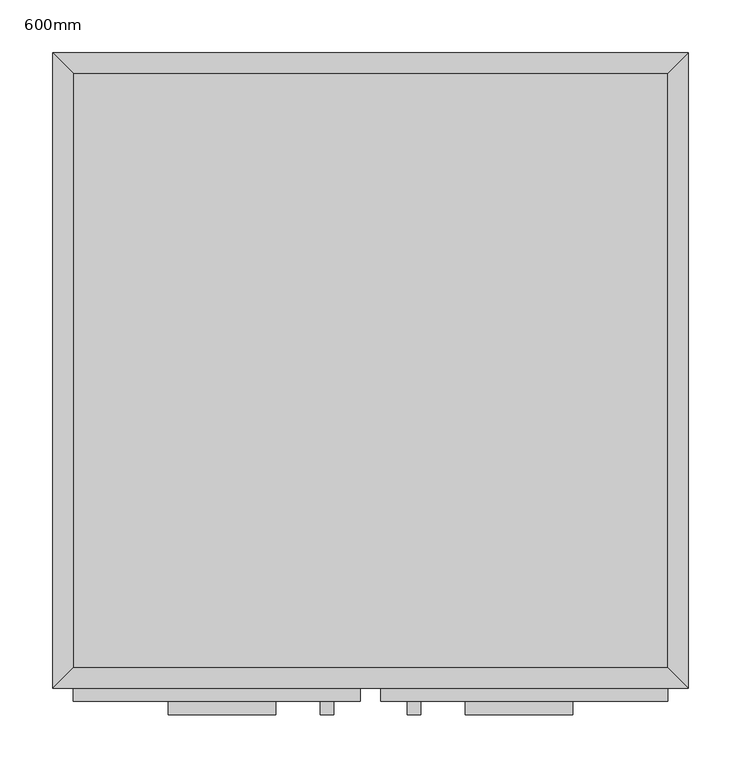
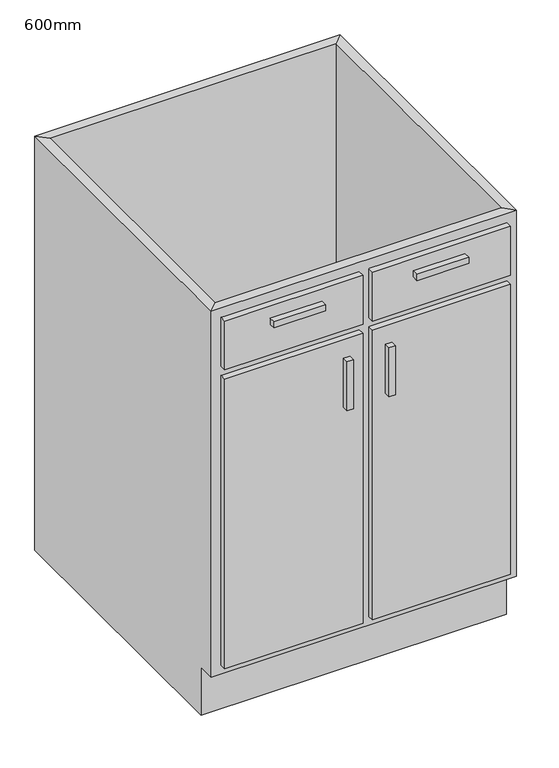
"""IFC4 building model written with IfcOpenShell, lengths in millimetres: furniture geometry, 600mm."""

import ifcopenshell
import ifcopenshell.guid

model = None  # the IFC model being written
_history = None  # IfcOwnerHistory: only IFC2X3 demands one
_inside = {}  # id of a spatial element -> (the spatial element, [elements in it])
_under = {}  # id of a project, library or spatial element -> (it, [spatial elements below it])
_declared = {}  # id of a project -> (the project, [libraries it declares])
_typed = {}  # id of a type object -> (the type object, [elements of that type])
_made_of = {}  # id of a material, layer set ... -> (it, [elements and type objects made of it])


def new_model(schema):
    """Start an empty IFC model of exactly this schema.

    Asked for "IFC4X3", IfcOpenShell would pick the latest addendum, in which some entities
    have other attributes; the version numbers below select the first issue.
    IFC2X3 requires an IfcOwnerHistory on every rooted entity: one is made here for all.
    """
    global model, _history
    if schema == "IFC4X3":
        model = ifcopenshell.file(schema_version=(4, 3, 0, 0))
    else:
        model = ifcopenshell.file(schema=schema)
    _inside.clear()
    _under.clear()
    _declared.clear()
    _typed.clear()
    _made_of.clear()
    _history = None
    if model.schema == "IFC2X3":
        org = make("IfcOrganization", Name="unknown")
        user = make(
            "IfcPersonAndOrganization",
            ThePerson=make("IfcPerson", FamilyName="unknown"),
            TheOrganization=org,
        )
        app = make(
            "IfcApplication",
            ApplicationDeveloper=org,
            Version="unknown",
            ApplicationFullName="unknown",
            ApplicationIdentifier="unknown",
        )
        _history = make(
            "IfcOwnerHistory",
            OwningUser=user,
            OwningApplication=app,
            ChangeAction="ADDED",
            CreationDate=0,
        )
    return model


def make(cls, **values):
    """One entity of the class cls with the attributes given. An attribute that is None is left unset."""
    return model.create_entity(
        cls, **{name: value for name, value in values.items() if value is not None}
    )


def rooted(cls, **values):
    """An entity with a GlobalId (a new one), such as an element, a storey or a relation."""
    return make(cls, GlobalId=ifcopenshell.guid.new(), OwnerHistory=_history, **values)


def si_unit(unit_type, name, prefix=None):
    """IfcSIUnit, for example si_unit("LENGTHUNIT", "METRE", prefix="MILLI")."""
    return make("IfcSIUnit", UnitType=unit_type, Prefix=prefix, Name=name)


def assignment(units):
    """IfcUnitAssignment: the units of a project."""
    return None if units is None else make("IfcUnitAssignment", Units=units)


def point(xyz):
    """IfcCartesianPoint."""
    return None if xyz is None else make("IfcCartesianPoint", Coordinates=xyz)


def direction(xyz):
    """IfcDirection."""
    return None if xyz is None else make("IfcDirection", DirectionRatios=xyz)


def frame(location, z_axis=None, x_axis=None):
    """IfcAxis2Placement3D, a coordinate frame: its origin and axes. An axis left out is left unset."""
    return make(
        "IfcAxis2Placement3D",
        Location=point(location),
        Axis=direction(z_axis),
        RefDirection=direction(x_axis),
    )


def origin():
    """The frame at (0, 0, 0) with its axes left unset."""
    return frame((0.0, 0.0, 0.0))


def place(relative_to, where):
    """IfcLocalPlacement: puts the frame where relative to a parent placement (None: the world)."""
    return make(
        "IfcLocalPlacement", PlacementRelTo=relative_to, RelativePlacement=where
    )


def context(
    kind, dimensions, precision=None, world=None, true_north=None, identifier=None
):
    """IfcGeometricRepresentationContext, for example the 3D "Model" context."""
    return make(
        "IfcGeometricRepresentationContext",
        ContextIdentifier=identifier,
        ContextType=kind,
        CoordinateSpaceDimension=dimensions,
        Precision=precision,
        WorldCoordinateSystem=world,
        TrueNorth=true_north,
    )


def project(units=None, contexts=None):
    """IfcProject with its units and contexts."""
    return rooted(
        "IfcProject",
        Name="project",
        RepresentationContexts=contexts,
        UnitsInContext=assignment(units),
    )


def spatial(cls, under=None, at=None, **own):
    """A site, building, storey or space (cls), placed at a placement, below another one or the project."""
    s = rooted(cls, ObjectPlacement=at, **own)
    if under is not None:
        _under.setdefault(under.id(), (under, []))[1].append(s)
    return s


def polyline(points):
    """IfcPolyline through the points."""
    return make("IfcPolyline", Points=[point(p) for p in points])


def outline(outer, holes=None, kind="AREA"):
    """IfcArbitraryClosedProfileDef: a profile drawn as a closed curve; with holes, ...WithVoids."""
    if holes is None:
        return make("IfcArbitraryClosedProfileDef", ProfileType=kind, OuterCurve=outer)
    return make(
        "IfcArbitraryProfileDefWithVoids",
        ProfileType=kind,
        OuterCurve=outer,
        InnerCurves=holes,
    )


def extrude(swept, where, along, depth):
    """IfcExtrudedAreaSolid: the profile swept, set in the frame where, extruded along a direction by depth."""
    return make(
        "IfcExtrudedAreaSolid",
        SweptArea=swept,
        Position=where,
        ExtrudedDirection=direction(along),
        Depth=depth,
    )


def faces_of(points, faces, orient=None, outer=None):
    """IfcFace entities. A face is a list of loops; a loop is a list of indices into points, from 0.

    orient and outer hold one flag for each loop. By default every Orientation is true, the
    first loop of a face is its IfcFaceOuterBound and the others are IfcFaceBound.
    """
    made = []
    for i, loops in enumerate(faces):
        bounds = []
        for j, loop in enumerate(loops):
            is_outer = j == 0 if outer is None else outer[i][j]
            bounds.append(
                make(
                    "IfcFaceOuterBound" if is_outer else "IfcFaceBound",
                    Bound=make("IfcPolyLoop", Polygon=[points[k] for k in loop]),
                    Orientation=True if orient is None else orient[i][j],
                )
            )
        made.append(make("IfcFace", Bounds=bounds))
    return made


def faceted_brep(points, faces, orient=None, outer=None, voids=None):
    """IfcFacetedBrep: a solid bounded by flat faces; with voids (closed shells), ...WithVoids."""
    shared = [point(p) for p in points]
    hull = make("IfcClosedShell", CfsFaces=faces_of(shared, faces, orient, outer))
    if voids is None:
        return make("IfcFacetedBrep", Outer=hull)
    return make(
        "IfcFacetedBrepWithVoids",
        Outer=hull,
        Voids=[
            make(cls, CfsFaces=faces_of(shared, fs, o, b)) for cls, fs, o, b in voids
        ],
    )


def shape(context_of_items, identifier, shape_type, items):
    """IfcShapeRepresentation: the items that make up one representation, for example the "Body"."""
    return make(
        "IfcShapeRepresentation",
        ContextOfItems=context_of_items,
        RepresentationIdentifier=identifier,
        RepresentationType=shape_type,
        Items=items,
    )


def source(mapping_origin, context_of_items, identifier, shape_type, items):
    """IfcRepresentationMap: a shape defined once, which mapped items show again and again."""
    return make(
        "IfcRepresentationMap",
        MappingOrigin=mapping_origin,
        MappedRepresentation=shape(context_of_items, identifier, shape_type, items),
    )


def transform(
    local_origin,
    x_axis=None,
    y_axis=None,
    z_axis=None,
    scale=None,
    scale2=None,
    scale3=None,
    uniform=True,
):
    """IfcCartesianTransformationOperator3D, or its non-uniform kind. x_axis, y_axis, z_axis: its Axis1, 2, 3."""
    if uniform:
        return make(
            "IfcCartesianTransformationOperator3D",
            Axis1=direction(x_axis),
            Axis2=direction(y_axis),
            LocalOrigin=point(local_origin),
            Scale=scale,
            Axis3=direction(z_axis),
        )
    return make(
        "IfcCartesianTransformationOperator3DnonUniform",
        Axis1=direction(x_axis),
        Axis2=direction(y_axis),
        LocalOrigin=point(local_origin),
        Scale=scale,
        Axis3=direction(z_axis),
        Scale2=scale2,
        Scale3=scale3,
    )


def mapped(mapping_source, mapping_target):
    """IfcMappedItem: shows the shape of a source again, moved by a transform."""
    return make(
        "IfcMappedItem", MappingSource=mapping_source, MappingTarget=mapping_target
    )


def made_of(thing, what):
    """Note that an element or type object is made of a material, layer set ...; save() writes the relation."""
    if what is not None:
        _made_of.setdefault(what.id(), (what, []))[1].append(thing)
    return thing


def element(
    cls,
    number,
    at=None,
    inside=None,
    cuts=None,
    type_object=None,
    material=None,
    context=None,
    identifier="Body",
    shape_type=None,
    held_by="IfcProductDefinitionShape",
    body=None,
    shapes=None,
    **own,
):
    """One element of the class cls, such as IfcWall. Its Tag is "e" and its number.

    at: its placement. inside: the storey or other place that contains it. cuts: it is an
    opening in that element (IfcRelVoidsElement). A single representation is given by context,
    identifier, shape_type and body (its items); several are given by shapes. held_by: the class
    of the entity that holds the representations. save() writes the other relations.
    """
    e = rooted(cls, Tag="e%d" % number, ObjectPlacement=at, **own)
    if body is not None:
        shapes = [shape(context, identifier, shape_type, body)]
    if shapes is not None:
        e.Representation = make(held_by, Representations=shapes)
    if inside is not None:
        _inside.setdefault(inside.id(), (inside, []))[1].append(e)
    if cuts is not None:
        rooted(
            "IfcRelVoidsElement", RelatingBuildingElement=cuts, RelatedOpeningElement=e
        )
    if type_object is not None:
        _typed.setdefault(type_object.id(), (type_object, []))[1].append(e)
    return made_of(e, material)


def aggregate(whole, parts):
    """IfcRelAggregates: a whole, such as a stair, and the parts it consists of."""
    return rooted("IfcRelAggregates", RelatingObject=whole, RelatedObjects=parts)


def save(model, path):
    """Write the relations noted so far, then the file.

    IfcRelAggregates (storeys below a building ...), IfcRelContainedInSpatialStructure (elements
    in a storey), IfcRelDefinesByType, IfcRelAssociatesMaterial and IfcRelDeclares: one each for
    every whole, place, type object, material and project.
    """
    for whole, parts in _under.values():
        aggregate(whole, parts)
    for where, things in _inside.values():
        rooted(
            "IfcRelContainedInSpatialStructure",
            RelatedElements=things,
            RelatingStructure=where,
        )
    for kind, things in _typed.values():
        rooted("IfcRelDefinesByType", RelatedObjects=things, RelatingType=kind)
    for what, things in _made_of.values():
        rooted("IfcRelAssociatesMaterial", RelatedObjects=things, RelatingMaterial=what)
    for by, libraries in _declared.values():
        rooted("IfcRelDeclares", RelatingContext=by, RelatedDefinitions=libraries)
    model.write(path)


def furniture_600mm_74c6c1e3(model_context):
    return source(origin(), model_context, "Body", "SolidModel", [
        faceted_brep([(299.6877049, -580.95, 860.0), (299.6877049, -580.95, 100.0), (-262.2122951, -580.95, 100.0), (-262.2122951, -580.95, 860.0), (-281.2622951, -600.0, 860.0), (318.7377049, -600.0, 860.0), (-281.2622951, -600.0, 100.0), (318.7377049, -600.0, 100.0), (-262.2122951, -565.0, 100.0), (-262.2122951, -19.05, 100.0), (-262.2122951, -19.05, 860.0), (-281.2622951, 0.0, 860.0), (-281.2622951, 0.0, 0.0), (-281.2622951, -565.0, 0.0), (-281.2622951, -565.0, 100.0), (299.6877049, -19.05, 100.0), (299.6877049, -19.05, 860.0), (318.7377049, 0.0, 860.0), (318.7377049, 0.0, 0.0), (299.6877049, -565.0, 100.0), (318.7377049, -565.0, 100.0), (318.7377049, -565.0, 0.0)], [[[0, 1, 2, 3]], [[0, 3, 4, 5]], [[5, 4, 6, 7]], [[2, 1, 7, 6]], [[3, 2, 8, 9, 10]], [[4, 3, 10, 11]], [[6, 4, 11, 12, 13, 14]], [[2, 6, 14, 8]], [[10, 9, 15, 16]], [[11, 10, 16, 17]], [[12, 11, 17, 18]], [[1, 0, 16, 15, 19]], [[0, 5, 17, 16]], [[5, 7, 20, 21, 18, 17]], [[7, 1, 19, 20]], [[8, 19, 15, 9]], [[18, 21, 13, 12]], [[13, 21, 20, 19, 8, 14]]]),
        extrude(outline(polyline([(-70.9372951, -625.4), (-172.5372951, -625.4), (-172.5372951, -612.7), (-70.9372951, -612.7), (-70.9372951, -625.4)])), frame((0.0, 0.0, 802.85), z_axis=(0.0, 0.0, 1.0), x_axis=(1.0, 0.0, 0.0)), (0.0, 0.0, 1.0), 12.7),
        extrude(outline(polyline([(210.0127049, -625.4), (108.4127049, -625.4), (108.4127049, -612.7), (210.0127049, -612.7), (210.0127049, -625.4)])), frame((0.0, 0.0, 802.85), z_axis=(0.0, 0.0, 1.0), x_axis=(1.0, 0.0, 0.0)), (0.0, 0.0, 1.0), 12.7),
        extrude(outline(polyline([(-16.1872951, -625.4), (-28.8872951, -625.4), (-28.8872951, -612.7), (-16.1872951, -612.7), (-16.1872951, -625.4)])), frame((0.0, 0.0, 580.6), z_axis=(0.0, 0.0, 1.0), x_axis=(1.0, 0.0, 0.0)), (0.0, 0.0, 1.0), 101.6),
        extrude(outline(polyline([(66.3627049, -625.4), (53.6627049, -625.4), (53.6627049, -612.7), (66.3627049, -612.7), (66.3627049, -625.4)])), frame((0.0, 0.0, 580.6), z_axis=(0.0, 0.0, 1.0), x_axis=(1.0, 0.0, 0.0)), (0.0, 0.0, 1.0), 101.6),
        extrude(outline(polyline([(9.2127049, -612.7), (-262.2122951, -612.7), (-262.2122951, -600.0), (9.2127049, -600.0), (9.2127049, -612.7)])), frame((0.0, 0.0, 739.35), z_axis=(0.0, 0.0, 1.0), x_axis=(1.0, 0.0, 0.0)), (0.0, 0.0, 1.0), 101.6),
        extrude(outline(polyline([(299.6877049, -612.7), (28.2627049, -612.7), (28.2627049, -600.0), (299.6877049, -600.0), (299.6877049, -612.7)])), frame((0.0, 0.0, 739.35), z_axis=(0.0, 0.0, 1.0), x_axis=(1.0, 0.0, 0.0)), (0.0, 0.0, 1.0), 101.6),
        extrude(outline(polyline([(9.2127049, -612.7), (-262.2122951, -612.7), (-262.2122951, -600.0), (9.2127049, -600.0), (9.2127049, -612.7)])), frame((0.0, 0.0, 119.05), z_axis=(0.0, 0.0, 1.0), x_axis=(1.0, 0.0, 0.0)), (0.0, 0.0, 1.0), 601.25),
        extrude(outline(polyline([(299.6877049, -612.7), (28.2627049, -612.7), (28.2627049, -600.0), (299.6877049, -600.0), (299.6877049, -612.7)])), frame((0.0, 0.0, 119.05), z_axis=(0.0, 0.0, 1.0), x_axis=(1.0, 0.0, 0.0)), (0.0, 0.0, 1.0), 601.25),
        extrude(outline(polyline([(299.6877049, -19.05), (299.6877049, -580.95), (-262.2122951, -580.95), (-262.2122951, -19.05), (299.6877049, -19.05)])), frame((0.0, 0.0, 100.0), z_axis=(0.0, 0.0, 1.0), x_axis=(1.0, 0.0, 0.0)), (0.0, 0.0, 1.0), 19.05),
    ])


if __name__ == "__main__":
    model = new_model("IFC4")
    model_context = context("Model", 3, world=origin())
    ifc_project = project(units=[si_unit("LENGTHUNIT", "METRE", prefix="MILLI")], contexts=[model_context])
    site = spatial("IfcSite", under=ifc_project)
    building = spatial("IfcBuilding", under=site)
    placement = place(None, origin())
    furniture_600mm_shape = furniture_600mm_74c6c1e3(model_context)
    element("IfcFurniture", 1, ObjectType="600mm", at=placement, inside=building, context=model_context, shape_type="MappedRepresentation", body=[
        mapped(furniture_600mm_shape, transform((0.0, 0.0, 0.0), x_axis=(1.0, 0.0, 0.0), y_axis=(0.0, 1.0, 0.0), z_axis=(0.0, 0.0, 1.0))),
    ])
    save(model, "model.ifc")
